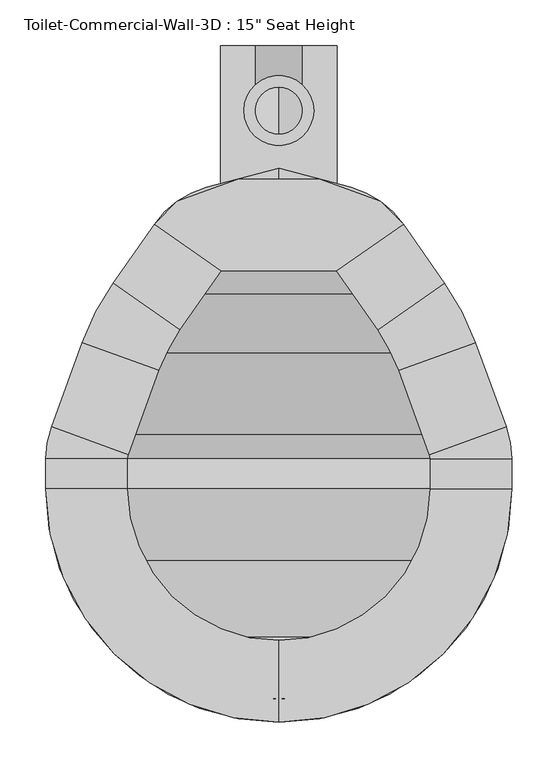
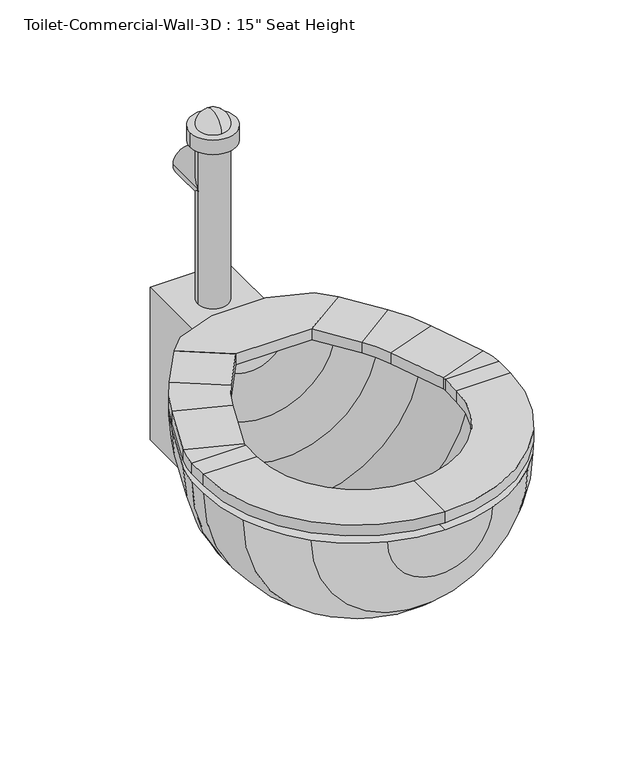
"""IFC4 building model written with IfcOpenShell, lengths in millimetres: flow terminal geometry."""

from ifc_helpers import new_model, si_unit, point, frame, frame_2d, origin, place, context, project, spatial, polyline, circle_curve, ellipse_curve, trimmed, segment, composite_curve, outline, extrude, source, transform, mapped, element, save
from ifc_brep_helpers import plane_surface, cylinder_surface, revolved_surface, advanced_brep


def flow_terminal_f7b7a87d(model_context):
    return source(origin(), model_context, "Body", "SolidModel", [
        extrude(outline(polyline([(467.7541169, -416.4847495), (342.0521907, -416.4847495), (269.229574, -365.4938043), (294.1800557, -340.5433226), (360.2423986, -316.4985961), (449.563909, -316.4985961), (515.6262519, -340.5433226), (540.5767337, -365.4938043), (467.7541169, -416.4847495)])), frame((0.0, 0.0, 355.6), z_axis=(0.0, 0.0, 1.0), x_axis=(1.0, 0.0, 0.0)), (0.0, 0.0, 1.0), 19.05),
        advanced_brep(
        [(467.7541169, -416.4847495, 355.6), (467.7541169, -416.4847495, 374.65), (540.5767337, -365.4938043, 374.65), (540.5767337, -365.4938043, 355.6), (585.6810159, -429.9093951, 355.6), (512.8583992, -480.9003403, 355.6), (585.6810159, -429.9093951, 374.65), (512.8583992, -480.9003403, 374.65), (619.360053, -494.6062234, 355.6), (535.821379, -525.0118141, 355.6), (619.360053, -494.6062234, 374.65), (535.821379, -525.0118141, 374.65), (652.7759241, -586.4155747, 355.6), (569.2372501, -616.8211654, 355.6), (652.7759241, -586.4155747, 374.65), (569.2372501, -616.8211654, 374.65), (658.9031538, -621.1648212, 355.6), (570.0031538, -621.1648212, 355.6), (658.9031538, -621.1648212, 374.65), (570.0031538, -621.1648212, 374.65), (658.9031538, -654.05, 355.6), (570.0031538, -654.05, 355.6), (658.9031538, -654.05, 374.65), (570.0031538, -654.05, 374.65), (404.9031538, -908.05, 355.6), (404.9031538, -819.15, 355.6), (404.9031538, -908.05, 374.65), (404.9031538, -819.15, 374.65), (150.9031538, -654.05, 355.6), (239.8031538, -654.05, 355.6), (150.9031538, -654.05, 374.65), (239.8031538, -654.05, 374.65), (150.9031538, -621.1648212, 355.6), (239.8031538, -621.1648212, 355.6), (150.9031538, -621.1648212, 374.65), (239.8031538, -621.1648212, 374.65), (157.0303835, -586.4155747, 355.6), (240.5690575, -616.8211654, 355.6), (157.0303835, -586.4155747, 374.65), (240.5690575, -616.8211654, 374.65), (190.4462546, -494.6062234, 355.6), (273.9849286, -525.0118141, 355.6), (190.4462546, -494.6062234, 374.65), (273.9849286, -525.0118141, 374.65), (224.1252917, -429.9093951, 355.6), (296.9479084, -480.9003403, 355.6), (224.1252917, -429.9093951, 374.65), (296.9479084, -480.9003403, 374.65), (342.0521907, -416.4847495, 355.6), (269.229574, -365.4938043, 355.6), (269.229574, -365.4938043, 374.65), (342.0521907, -416.4847495, 374.65)],
        [
            (0, 1),
            (1, 2),
            (2, 3),
            (3, 0),
            (3, 4),
            (4, 5),
            (5, 0),
            (2, 6),
            (6, 4),
            (1, 7),
            (7, 6),
            (5, 7),
            (8, 9),
            (9, 5, circle_curve(frame((356.8099347, -590.1666514, 355.6), z_axis=(0.0, 0.0, 1.0), x_axis=(0.81915204428899, 0.5735764363510486, 0.0)), 190.5)),
            (4, 8, circle_curve(frame((356.8099347, -590.1666514, 355.6), z_axis=(0.0, 0.0, -1.0), x_axis=(0.81915204428899, 0.5735764363510486, 0.0)), 279.4)),
            (10, 8),
            (6, 10, circle_curve(frame((356.8099347, -590.1666514, 374.65), z_axis=(0.0, 0.0, -1.0), x_axis=(0.81915204428899, 0.5735764363510486, 0.0)), 279.4)),
            (11, 10),
            (7, 11, circle_curve(frame((356.8099347, -590.1666514, 374.65), z_axis=(0.0, 0.0, -1.0), x_axis=(0.81915204428899, 0.5735764363510486, 0.0)), 190.5)),
            (9, 11),
            (8, 12),
            (12, 13),
            (13, 9),
            (10, 14),
            (14, 12),
            (11, 15),
            (15, 14),
            (13, 15),
            (16, 17),
            (17, 13, circle_curve(frame((557.3031538, -621.1648212, 355.6), z_axis=(0.0, 0.0, 1.0), x_axis=(0.9396926207859057, 0.3420201433256761, 0.0)), 12.7)),
            (12, 16, circle_curve(frame((557.3031538, -621.1648212, 355.6), z_axis=(0.0, 0.0, -1.0), x_axis=(0.9396926207859057, 0.3420201433256761, 0.0)), 101.6)),
            (18, 16),
            (14, 18, circle_curve(frame((557.3031538, -621.1648212, 374.65), z_axis=(0.0, 0.0, -1.0), x_axis=(0.9396926207859057, 0.3420201433256761, 0.0)), 101.6)),
            (19, 18),
            (15, 19, circle_curve(frame((557.3031538, -621.1648212, 374.65), z_axis=(0.0, 0.0, -1.0), x_axis=(0.9396926207859057, 0.3420201433256761, 0.0)), 12.7)),
            (17, 19),
            (16, 20),
            (20, 21),
            (21, 17),
            (18, 22),
            (22, 20),
            (19, 23),
            (23, 22),
            (21, 23),
            (24, 25),
            (25, 21, circle_curve(frame((404.9031538, -654.05, 355.6), z_axis=(0.0, 0.0, 1.0), x_axis=(1.0, 0.0, 0.0)), 165.1)),
            (20, 24, circle_curve(frame((404.9031538, -654.05, 355.6), z_axis=(0.0, 0.0, -1.0), x_axis=(1.0, 0.0, 0.0)), 254.0)),
            (26, 24),
            (22, 26, circle_curve(frame((404.9031538, -654.05, 374.65), z_axis=(0.0, 0.0, -1.0), x_axis=(1.0, 0.0, 0.0)), 254.0)),
            (27, 26),
            (23, 27, circle_curve(frame((404.9031538, -654.05, 374.65), z_axis=(0.0, 0.0, -1.0), x_axis=(1.0, 0.0, 0.0)), 165.1)),
            (25, 27),
            (28, 29),
            (29, 25, circle_curve(frame((404.9031538, -654.05, 355.6), z_axis=(0.0, 0.0, 1.0), x_axis=(0.0, -1.0, 0.0)), 165.1)),
            (24, 28, circle_curve(frame((404.9031538, -654.05, 355.6), z_axis=(0.0, 0.0, -1.0), x_axis=(0.0, -1.0, 0.0)), 254.0)),
            (30, 28),
            (26, 30, circle_curve(frame((404.9031538, -654.05, 374.65), z_axis=(0.0, 0.0, -1.0), x_axis=(0.0, -1.0, 0.0)), 254.0)),
            (31, 30),
            (27, 31, circle_curve(frame((404.9031538, -654.05, 374.65), z_axis=(0.0, 0.0, -1.0), x_axis=(0.0, -1.0, 0.0)), 165.1)),
            (29, 31),
            (28, 32),
            (32, 33),
            (33, 29),
            (30, 34),
            (34, 32),
            (31, 35),
            (35, 34),
            (33, 35),
            (36, 37),
            (37, 33, circle_curve(frame((252.5031538, -621.1648212, 355.6), z_axis=(0.0, 0.0, 1.0), x_axis=(-1.0, 0.0, 0.0)), 12.7)),
            (32, 36, circle_curve(frame((252.5031538, -621.1648212, 355.6), z_axis=(0.0, 0.0, -1.0), x_axis=(-1.0, 0.0, 0.0)), 101.6)),
            (38, 36),
            (34, 38, circle_curve(frame((252.5031538, -621.1648212, 374.65), z_axis=(0.0, 0.0, -1.0), x_axis=(-1.0, 0.0, 0.0)), 101.6)),
            (39, 38),
            (35, 39, circle_curve(frame((252.5031538, -621.1648212, 374.65), z_axis=(0.0, 0.0, -1.0), x_axis=(-1.0, 0.0, 0.0)), 12.7)),
            (37, 39),
            (36, 40),
            (40, 41),
            (41, 37),
            (38, 42),
            (42, 40),
            (39, 43),
            (43, 42),
            (41, 43),
            (44, 45),
            (45, 41, circle_curve(frame((452.9963729, -590.1666514, 355.6), z_axis=(0.0, 0.0, 1.0), x_axis=(-0.939692620785909, 0.3420201433256672, 0.0)), 190.5)),
            (40, 44, circle_curve(frame((452.9963729, -590.1666514, 355.6), z_axis=(0.0, 0.0, -1.0), x_axis=(-0.939692620785909, 0.3420201433256672, 0.0)), 279.4)),
            (46, 44),
            (42, 46, circle_curve(frame((452.9963729, -590.1666514, 374.65), z_axis=(0.0, 0.0, -1.0), x_axis=(-0.939692620785909, 0.3420201433256672, 0.0)), 279.4)),
            (47, 46),
            (43, 47, circle_curve(frame((452.9963729, -590.1666514, 374.65), z_axis=(0.0, 0.0, -1.0), x_axis=(-0.939692620785909, 0.3420201433256672, 0.0)), 190.5)),
            (45, 47),
            (48, 49),
            (49, 50),
            (50, 51),
            (51, 48),
            (44, 49),
            (48, 45),
            (46, 50),
            (47, 51),
        ],
        [
            plane_surface(frame((540.5767337, -365.4938043, 437.2995365), z_axis=(-0.5735764363510436, 0.8191520442889937, 0.0), x_axis=(0.8191520442889937, 0.5735764363510436, 0.0))),
            plane_surface(frame((467.7541169, -416.4847495, 355.6), z_axis=(0.0, 0.0, -1.0), x_axis=(0.5735764363510435, -0.8191520442889937, 0.0))),
            plane_surface(frame((540.5767337, -365.4938043, 355.6), z_axis=(0.8191520442889932, 0.5735764363510439, 0.0), x_axis=(0.5735764363510439, -0.8191520442889932, 0.0))),
            plane_surface(frame((540.5767337, -365.4938043, 374.65), z_axis=(0.0, 0.0, 1.0), x_axis=(0.573576436351043, -0.819152044288994, 0.0))),
            plane_surface(frame((467.7541169, -416.4847495, 374.65), z_axis=(-0.8191520442889932, -0.5735764363510439, 0.0), x_axis=(0.5735764363510439, -0.8191520442889932, 0.0))),
            plane_surface(frame((356.8099347, -590.1666514, 355.6), z_axis=(0.0, 0.0, -1.0), x_axis=(0.81915204428899, 0.5735764363510486, 0.0))),
            cylinder_surface(frame((356.8099347, -590.1666514, 342.9), z_axis=(0.0, 0.0, 1.0), x_axis=(0.81915204428899, 0.5735764363510486, 0.0)), 279.4),
            plane_surface(frame((356.8099347, -590.1666514, 374.65), z_axis=(0.0, 0.0, 1.0), x_axis=(0.81915204428899, 0.5735764363510486, 0.0))),
            revolved_surface(polyline([(512.8583991370526, -480.90034027512525, 374.65), (512.8583991370526, -480.90034027512525, 355.6)]), (356.8099347, -590.1666514, 342.9), (0.0, 0.0, 1.0)),
            plane_surface(frame((535.821379, -525.0118141, 355.6), z_axis=(0.0, 0.0, -1.0000000000000002), x_axis=(0.3420201433256594, -0.9396926207859119, 0.0))),
            plane_surface(frame((619.360053, -494.6062234, 355.6), z_axis=(0.939692620785912, 0.34202014332565894, 0.0), x_axis=(0.34202014332565894, -0.939692620785912, 0.0))),
            plane_surface(frame((619.360053, -494.6062234, 374.65), z_axis=(0.0, 0.0, 1.0), x_axis=(0.34202014332565894, -0.939692620785912, 0.0))),
            plane_surface(frame((535.821379, -525.0118141, 374.65), z_axis=(-0.9396926207859126, -0.3420201433256571, 0.0), x_axis=(0.3420201433256571, -0.9396926207859126, 0.0))),
            plane_surface(frame((557.3031538, -621.1648212, 355.6), z_axis=(0.0, 0.0, -1.0000000000000002), x_axis=(0.9396926207859058, 0.34202014332567615, 0.0))),
            cylinder_surface(frame((557.3031538, -621.1648212, 342.9), z_axis=(0.0, 0.0, 1.0), x_axis=(0.9396926207859057, 0.3420201433256761, 0.0)), 101.6),
            plane_surface(frame((557.3031538, -621.1648212, 374.65), z_axis=(0.0, 0.0, 1.0000000000000002), x_axis=(0.9396926207859058, 0.34202014332567615, 0.0))),
            revolved_surface(polyline([(569.237250083981, -616.8211653797639, 374.65), (569.237250083981, -616.8211653797639, 355.6)]), (557.3031538, -621.1648212, 342.9), (0.0, 0.0, 1.0)),
            plane_surface(frame((570.0031538, -621.1648212, 355.6), z_axis=(0.0, 0.0, -1.0), x_axis=(0.0, -1.0, 0.0))),
            plane_surface(frame((658.9031538, -621.1648212, 355.6), z_axis=(1.0, 0.0, 0.0), x_axis=(0.0, -1.0, 0.0))),
            plane_surface(frame((658.9031538, -621.1648212, 374.65), z_axis=(0.0, 0.0, 1.0), x_axis=(0.0, -1.0, 0.0))),
            plane_surface(frame((570.0031538, -621.1648212, 374.65), z_axis=(-1.0, 0.0, 0.0), x_axis=(0.0, -1.0, 0.0))),
            plane_surface(frame((404.9031538, -654.05, 355.6), z_axis=(0.0, 0.0, -1.0), x_axis=(1.0, 0.0, 0.0))),
            cylinder_surface(frame((404.9031538, -654.05, 342.9), z_axis=(0.0, 0.0, 1.0), x_axis=(1.0, 0.0, 0.0)), 254.0),
            plane_surface(frame((404.9031538, -654.05, 374.65), z_axis=(0.0, 0.0, 1.0), x_axis=(1.0, 0.0, 0.0))),
            revolved_surface(polyline([(570.0031538, -654.05, 374.65), (570.0031538, -654.05, 355.6)]), (404.9031538, -654.05, 342.9), (0.0, 0.0, 1.0)),
            plane_surface(frame((404.9031538, -654.05, 355.6), z_axis=(0.0, 0.0, -1.0), x_axis=(0.0, -1.0, 0.0))),
            cylinder_surface(frame((404.9031538, -654.05, 342.9), z_axis=(0.0, 0.0, 1.0), x_axis=(0.0, -1.0, 0.0)), 254.0),
            plane_surface(frame((404.9031538, -654.05, 374.65), z_axis=(0.0, 0.0, 1.0), x_axis=(0.0, -1.0, 0.0))),
            revolved_surface(polyline([(404.9031538, -819.15, 374.65), (404.9031538, -819.15, 355.6)]), (404.9031538, -654.05, 342.9), (0.0, 0.0, 1.0)),
            plane_surface(frame((239.8031538, -654.05, 355.6), z_axis=(0.0, 0.0, -1.0), x_axis=(0.0, 1.0, 0.0))),
            plane_surface(frame((150.9031538, -654.05, 355.6), z_axis=(-1.0, 0.0, 0.0), x_axis=(0.0, 1.0, 0.0))),
            plane_surface(frame((150.9031538, -654.05, 374.65), z_axis=(0.0, 0.0, 1.0), x_axis=(0.0, 1.0, 0.0))),
            plane_surface(frame((239.8031538, -654.05, 374.65), z_axis=(1.0, 0.0, 0.0), x_axis=(0.0, 1.0, 0.0))),
            plane_surface(frame((252.5031538, -621.1648212, 355.6), z_axis=(0.0, 0.0, -1.0), x_axis=(-1.0, 0.0, 0.0))),
            cylinder_surface(frame((252.5031538, -621.1648212, 342.9), z_axis=(0.0, 0.0, 1.0), x_axis=(-1.0, 0.0, 0.0)), 101.6),
            plane_surface(frame((252.5031538, -621.1648212, 374.65), z_axis=(0.0, 0.0, 1.0), x_axis=(-1.0, 0.0, 0.0))),
            revolved_surface(polyline([(239.80315380000002, -621.1648212, 374.65), (239.80315380000002, -621.1648212, 355.6)]), (252.5031538, -621.1648212, 342.9), (0.0, 0.0, 1.0)),
            plane_surface(frame((240.5690575, -616.8211654, 355.6), z_axis=(0.0, 0.0, -1.0), x_axis=(0.3420201433256577, 0.9396926207859124, 0.0))),
            plane_surface(frame((157.0303835, -586.4155747, 355.6), z_axis=(-0.9396926207859123, 0.3420201433256579, 0.0), x_axis=(0.3420201433256579, 0.9396926207859123, 0.0))),
            plane_surface(frame((157.0303835, -586.4155747, 374.65), z_axis=(0.0, 0.0, 1.0000000000000002), x_axis=(0.34202014332565817, 0.9396926207859123, 0.0))),
            plane_surface(frame((240.5690575, -616.8211654, 374.65), z_axis=(0.9396926207859124, -0.3420201433256577, 0.0), x_axis=(0.3420201433256577, 0.9396926207859124, 0.0))),
            plane_surface(frame((452.9963729, -590.1666514, 355.6), z_axis=(0.0, 0.0, -1.0), x_axis=(-0.939692620785909, 0.3420201433256672, 0.0))),
            cylinder_surface(frame((452.9963729, -590.1666514, 342.9), z_axis=(0.0, 0.0, 1.0), x_axis=(-0.939692620785909, 0.3420201433256672, 0.0)), 279.4),
            plane_surface(frame((452.9963729, -590.1666514, 374.65), z_axis=(0.0, 0.0, 1.0), x_axis=(-0.939692620785909, 0.3420201433256672, 0.0))),
            revolved_surface(polyline([(273.98492864028435, -525.0118140964604, 374.65), (273.98492864028435, -525.0118140964604, 355.6)]), (452.9963729, -590.1666514, 342.9), (0.0, 0.0, 1.0)),
            plane_surface(frame((269.229574, -365.4938043, 248.5004635), z_axis=(0.5735764363510469, 0.8191520442889914, 0.0), x_axis=(0.8191520442889914, -0.5735764363510469, 0.0))),
            plane_surface(frame((296.9479084, -480.9003403, 355.6), z_axis=(0.0, 0.0, -1.0), x_axis=(0.5735764363510475, 0.8191520442889909, 0.0))),
            plane_surface(frame((224.1252917, -429.9093951, 355.6), z_axis=(-0.8191520442889912, 0.5735764363510469, 0.0), x_axis=(0.5735764363510469, 0.8191520442889912, 0.0))),
            plane_surface(frame((224.1252917, -429.9093951, 374.65), z_axis=(0.0, 0.0, 1.0), x_axis=(0.5735764363510469, 0.8191520442889912, 0.0))),
            plane_surface(frame((296.9479084, -480.9003403, 374.65), z_axis=(0.8191520442889916, -0.5735764363510465, 0.0), x_axis=(0.5735764363510465, 0.8191520442889916, 0.0))),
        ],
        [
            (0, [[1, 2, 3, 4]]),
            (1, [[5, 6, 7, -4]]),
            (2, [[8, 9, -5, -3]]),
            (3, [[10, 11, -8, -2]]),
            (4, [[-7, 12, -10, -1]]),
            (5, [[13, 14, -6, 15]]),
            (6, [[16, -15, -9, 17]]),
            (7, [[18, -17, -11, 19]]),
            (8, [[20, -19, -12, -14]]),
            (9, [[21, 22, 23, -13]]),
            (10, [[24, 25, -21, -16]]),
            (11, [[26, 27, -24, -18]]),
            (12, [[-23, 28, -26, -20]]),
            (13, [[29, 30, -22, 31]]),
            (14, [[32, -31, -25, 33]]),
            (15, [[34, -33, -27, 35]]),
            (16, [[36, -35, -28, -30]]),
            (17, [[37, 38, 39, -29]]),
            (18, [[40, 41, -37, -32]]),
            (19, [[42, 43, -40, -34]]),
            (20, [[-39, 44, -42, -36]]),
            (21, [[45, 46, -38, 47]]),
            (22, [[48, -47, -41, 49]]),
            (23, [[50, -49, -43, 51]]),
            (24, [[52, -51, -44, -46]]),
            (25, [[53, 54, -45, 55]]),
            (26, [[56, -55, -48, 57]]),
            (27, [[58, -57, -50, 59]]),
            (28, [[60, -59, -52, -54]]),
            (29, [[61, 62, 63, -53]]),
            (30, [[64, 65, -61, -56]]),
            (31, [[66, 67, -64, -58]]),
            (32, [[-63, 68, -66, -60]]),
            (33, [[69, 70, -62, 71]]),
            (34, [[72, -71, -65, 73]]),
            (35, [[74, -73, -67, 75]]),
            (36, [[76, -75, -68, -70]]),
            (37, [[77, 78, 79, -69]]),
            (38, [[80, 81, -77, -72]]),
            (39, [[82, 83, -80, -74]]),
            (40, [[-79, 84, -82, -76]]),
            (41, [[85, 86, -78, 87]]),
            (42, [[88, -87, -81, 89]]),
            (43, [[90, -89, -83, 91]]),
            (44, [[92, -91, -84, -86]]),
            (45, [[93, 94, 95, 96]]),
            (46, [[97, -93, 98, -85]]),
            (47, [[99, -94, -97, -88]]),
            (48, [[100, -95, -99, -90]]),
            (49, [[-98, -96, -100, -92]]),
        ],
    ),
        advanced_brep(
        [(491.7762702, -892.7319257, 342.9), (584.5082762, -833.6551224, 342.9), (643.5850795, -740.9231164, 342.9), (658.9031538, -654.05, 342.9), (658.9031538, -621.1648212, 342.9), (652.7759241, -586.4155747, 342.9), (619.360053, -494.6062234, 342.9), (585.6810159, -429.9093951, 342.9), (540.5767337, -365.4938043, 342.9), (483.6469009, -325.6311063, 342.9), (404.9031538, -304.5317829, 342.9), (404.9031538, -330.8277978, 342.9), (468.1430637, -347.7728806, 342.9), (525.0728964, -387.6355786, 342.9), (562.9565296, -441.7390139, 342.9), (596.6355667, -506.4358422, 342.9), (628.9077315, -595.1028863, 342.9), (633.5031538, -621.1648212, 342.9), (633.5031538, -654.05, 342.9), (619.7168869, -732.2358048, 342.9), (566.547764, -815.6946102, 342.9), (483.0889586, -868.8637331, 342.9), (404.9031538, -882.65, 342.9), (404.9031538, -908.05, 342.9), (318.0300374, -892.7319257, 342.9), (326.7173491, -868.8637331, 342.9), (243.2585436, -815.6946102, 342.9), (190.0894207, -732.2358048, 342.9), (176.3031538, -654.05, 342.9), (176.3031538, -621.1648212, 342.9), (180.8985761, -595.1028863, 342.9), (213.1707409, -506.4358422, 342.9), (246.849778, -441.7390139, 342.9), (284.7334112, -387.6355786, 342.9), (341.663244, -347.7728806, 342.9), (326.1594067, -325.6311063, 342.9), (269.229574, -365.4938043, 342.9), (224.1252917, -429.9093951, 342.9), (190.4462546, -494.6062234, 342.9), (157.0303835, -586.4155747, 342.9), (150.9031538, -621.1648212, 342.9), (150.9031538, -654.05, 342.9), (166.2212281, -740.9231164, 342.9), (225.2980314, -833.6551224, 342.9)],
        [
            (0, 1, circle_curve(frame((404.9031538, -654.05, 342.9), z_axis=(0.0, 0.0, 1.0), x_axis=(1.0, 0.0, 0.0)), 254.0)),
            (1, 2, circle_curve(frame((404.9031538, -654.05, 342.9), z_axis=(0.0, 0.0, 1.0), x_axis=(1.0, 0.0, 0.0)), 254.0)),
            (2, 3, circle_curve(frame((404.9031538, -654.05, 342.9), z_axis=(0.0, 0.0, 1.0), x_axis=(1.0, 0.0, 0.0)), 254.0)),
            (3, 4),
            (4, 5, circle_curve(frame((557.3031538, -621.1648212, 342.9), z_axis=(0.0, 0.0, 1.0), x_axis=(1.0, 0.0, 0.0)), 101.6)),
            (5, 6),
            (6, 7, circle_curve(frame((356.8099347, -590.1666514, 342.9), z_axis=(0.0, 0.0, 1.0), x_axis=(1.0, 0.0, 0.0)), 279.4)),
            (7, 8),
            (8, 9, circle_curve(frame((457.350886, -423.7691703, 342.9), z_axis=(0.0, 0.0, 1.0), x_axis=(1.0, 0.0, 0.0)), 101.6)),
            (9, 10),
            (10, 11),
            (11, 12),
            (12, 13, circle_curve(frame((441.8470487, -445.9109446, 342.9), z_axis=(0.0, 0.0, -1.0), x_axis=(1.0, 0.0, 0.0)), 101.6)),
            (13, 14),
            (14, 15, circle_curve(frame((334.0854485, -601.9962703, 342.9), z_axis=(0.0, 0.0, -1.0), x_axis=(1.0, 0.0, 0.0)), 279.4)),
            (15, 16),
            (16, 17, circle_curve(frame((557.3031538, -621.1648212, 342.9), z_axis=(0.0, 0.0, -1.0), x_axis=(1.0, 0.0, 0.0)), 76.2)),
            (17, 18),
            (18, 19, circle_curve(frame((404.9031538, -654.05, 342.9), z_axis=(0.0, 0.0, -1.0), x_axis=(1.0, 0.0, 0.0)), 228.6)),
            (19, 20, circle_curve(frame((404.9031538, -654.05, 342.9), z_axis=(0.0, 0.0, -1.0), x_axis=(1.0, 0.0, 0.0)), 228.6)),
            (20, 21, circle_curve(frame((404.9031538, -654.05, 342.9), z_axis=(0.0, 0.0, -1.0), x_axis=(1.0, 0.0, 0.0)), 228.6)),
            (21, 22, circle_curve(frame((404.9031538, -654.05, 342.9), z_axis=(0.0, 0.0, -1.0), x_axis=(1.0, 0.0, 0.0)), 228.6)),
            (22, 23),
            (23, 0, circle_curve(frame((404.9031538, -654.05, 342.9), z_axis=(0.0, 0.0, 1.0), x_axis=(1.0, 0.0, 0.0)), 254.0)),
            (24, 23, circle_curve(frame((404.9031538, -654.05, 342.9), z_axis=(0.0, 0.0, 1.0), x_axis=(-1.0, 0.0, 0.0)), 254.0)),
            (22, 25, circle_curve(frame((404.9031538, -654.05, 342.9), z_axis=(0.0, 0.0, -1.0), x_axis=(-1.0, 0.0, 0.0)), 228.6)),
            (25, 26, circle_curve(frame((404.9031538, -654.05, 342.9), z_axis=(0.0, 0.0, -1.0), x_axis=(-1.0, 0.0, 0.0)), 228.6)),
            (26, 27, circle_curve(frame((404.9031538, -654.05, 342.9), z_axis=(0.0, 0.0, -1.0), x_axis=(-1.0, 0.0, 0.0)), 228.6)),
            (27, 28, circle_curve(frame((404.9031538, -654.05, 342.9), z_axis=(0.0, 0.0, -1.0), x_axis=(-1.0, 0.0, 0.0)), 228.6)),
            (28, 29),
            (29, 30, circle_curve(frame((252.5031538, -621.1648212, 342.9), z_axis=(0.0, 0.0, -1.0), x_axis=(-1.0, 0.0, 0.0)), 76.2)),
            (30, 31),
            (31, 32, circle_curve(frame((475.7208592, -601.9962703, 342.9), z_axis=(0.0, 0.0, -1.0), x_axis=(-1.0, 0.0, 0.0)), 279.4)),
            (32, 33),
            (33, 34, circle_curve(frame((367.9592589, -445.9109446, 342.9), z_axis=(0.0, 0.0, -1.0), x_axis=(-1.0, 0.0, 0.0)), 101.6)),
            (34, 11),
            (10, 35),
            (35, 36, circle_curve(frame((352.4554217, -423.7691703, 342.9), z_axis=(0.0, 0.0, 1.0), x_axis=(-1.0, 0.0, 0.0)), 101.6)),
            (36, 37),
            (37, 38, circle_curve(frame((452.9963729, -590.1666514, 342.9), z_axis=(0.0, 0.0, 1.0), x_axis=(-1.0, 0.0, 0.0)), 279.4)),
            (38, 39),
            (39, 40, circle_curve(frame((252.5031538, -621.1648212, 342.9), z_axis=(0.0, 0.0, 1.0), x_axis=(-1.0, 0.0, 0.0)), 101.6)),
            (40, 41),
            (41, 42, circle_curve(frame((404.9031538, -654.05, 342.9), z_axis=(0.0, 0.0, 1.0), x_axis=(-1.0, 0.0, 0.0)), 254.0)),
            (42, 43, circle_curve(frame((404.9031538, -654.05, 342.9), z_axis=(0.0, 0.0, 1.0), x_axis=(-1.0, 0.0, 0.0)), 254.0)),
            (43, 24, circle_curve(frame((404.9031538, -654.05, 342.9), z_axis=(0.0, 0.0, 1.0), x_axis=(-1.0, 0.0, 0.0)), 254.0)),
            (24, 0, circle_curve(frame((404.9031538, -892.7319257, 342.9), z_axis=(0.0, -1.0, 0.0), x_axis=(1.0, 0.0, 0.0)), 86.8731164)),
            (21, 25, circle_curve(frame((404.9031538, -868.8637331, 342.9), z_axis=(0.0, 1.0, 0.0), x_axis=(1.0, 0.0, 0.0)), 78.1858048)),
            (20, 26, circle_curve(frame((404.9031538, -815.6946102, 342.9), z_axis=(0.0, 1.0, 0.0), x_axis=(1.0, 0.0, 0.0)), 161.6446102)),
            (19, 27, circle_curve(frame((404.9031538, -732.2358048, 342.9), z_axis=(0.0, 1.0, 0.0), x_axis=(1.0, 0.0, 0.0)), 214.8137331)),
            (18, 28, circle_curve(frame((404.9031538, -654.05, 342.9), z_axis=(0.0, 1.0, 0.0), x_axis=(1.0, 0.0, 0.0)), 228.6)),
            (17, 29, circle_curve(frame((404.9031538, -621.1648212, 342.9), z_axis=(0.0, 1.0, 0.0), x_axis=(1.0, 0.0, 0.0)), 228.6)),
            (16, 30, circle_curve(frame((404.9031538, -595.1028863, 342.9), z_axis=(0.0, 1.0, 0.0), x_axis=(1.0, 0.0, 0.0)), 224.0045777)),
            (15, 31, circle_curve(frame((404.9031538, -506.4358422, 342.9), z_axis=(0.0, 1.0, 0.0), x_axis=(1.0, 0.0, 0.0)), 191.7324129)),
            (14, 32, circle_curve(frame((404.9031538, -441.7390139, 342.9), z_axis=(0.0, 1.0, 0.0), x_axis=(1.0, 0.0, 0.0)), 158.0533758)),
            (13, 33, circle_curve(frame((404.9031538, -387.6355786, 342.9), z_axis=(0.0, 1.0, 0.0), x_axis=(1.0, 0.0, 0.0)), 120.1697426)),
            (12, 34, circle_curve(frame((404.9031538, -347.7728806, 342.9), z_axis=(0.0, 1.0, 0.0), x_axis=(1.0, 0.0, 0.0)), 63.2399099)),
            (9, 35, circle_curve(frame((404.9031538, -325.6311063, 342.9), z_axis=(0.0, 1.0, 0.0), x_axis=(1.0, 0.0, 0.0)), 78.7437471)),
            (8, 36, circle_curve(frame((404.9031538, -365.4938043, 342.9), z_axis=(0.0, 1.0, 0.0), x_axis=(1.0, 0.0, 0.0)), 135.6735798)),
            (7, 37, circle_curve(frame((404.9031538, -429.9093951, 342.9), z_axis=(0.0, 1.0, 0.0), x_axis=(1.0, 0.0, 0.0)), 180.7778621)),
            (6, 38, circle_curve(frame((404.9031538, -494.6062234, 342.9), z_axis=(0.0, 1.0, 0.0), x_axis=(1.0, 0.0, 0.0)), 214.4568992)),
            (5, 39, circle_curve(frame((404.9031538, -586.4155747, 342.9), z_axis=(0.0, 1.0, 0.0), x_axis=(1.0, 0.0, 0.0)), 247.8727703)),
            (4, 40, circle_curve(frame((404.9031538, -621.1648212, 342.9), z_axis=(0.0, 1.0, 0.0), x_axis=(1.0, 0.0, 0.0)), 254.0)),
            (3, 41, circle_curve(frame((404.9031538, -654.05, 342.9), z_axis=(0.0, 1.0, 0.0), x_axis=(1.0, 0.0, 0.0)), 254.0)),
            (2, 42, circle_curve(frame((404.9031538, -740.9231164, 342.9), z_axis=(0.0, 1.0, 0.0), x_axis=(1.0, 0.0, 0.0)), 238.6819257)),
            (1, 43, circle_curve(frame((404.9031538, -833.6551224, 342.9), z_axis=(0.0, 1.0, 0.0), x_axis=(1.0, 0.0, 0.0)), 179.6051224)),
        ],
        [
            plane_surface(frame((404.9031538, -1013.2602448, 342.9), z_axis=(0.0, 0.0, 1.0), x_axis=(1.0, 0.0, 0.0))),
            plane_surface(frame((404.9031538, -1013.2602448, 342.9), z_axis=(0.0, 0.0, 1.0), x_axis=(-1.0, 0.0, 0.0))),
            revolved_surface(trimmed(ellipse_curve(frame((404.9031538, -654.05, 342.9), z_axis=(0.0, 0.0, -1.0), x_axis=(1.0, 0.0, 0.0)), 254.0, 254.0), [point((491.7762702, -892.7319257, 342.9))], [point((404.9031538, -908.05, 342.9))], True, "CARTESIAN"), (404.9031538, -1013.2602448, 342.9), (0.0, -1.0, 0.0)),
            revolved_surface(trimmed(ellipse_curve(frame((404.9031538, -654.05, 342.9), z_axis=(0.0, 0.0, 1.0), x_axis=(1.0, 0.0, 0.0)), 228.6, 228.6), [point((404.9031538, -882.65, 342.9))], [point((483.0889586, -868.8637331, 342.9))], True, "CARTESIAN"), (404.9031538, -1013.2602448, 342.9), (0.0, -1.0, 0.0)),
            revolved_surface(trimmed(ellipse_curve(frame((404.9031538, -654.05, 342.9), z_axis=(0.0, 0.0, 1.0), x_axis=(1.0, 0.0, 0.0)), 228.6, 228.6), [point((483.0889586, -868.8637331, 342.9))], [point((566.547764, -815.6946102, 342.9))], True, "CARTESIAN"), (404.9031538, -1013.2602448, 342.9), (0.0, -1.0, 0.0)),
            revolved_surface(trimmed(ellipse_curve(frame((404.9031538, -654.05, 342.9), z_axis=(0.0, 0.0, 1.0), x_axis=(1.0, 0.0, 0.0)), 228.6, 228.6), [point((566.547764, -815.6946102, 342.9))], [point((619.7168869, -732.2358048, 342.9))], True, "CARTESIAN"), (404.9031538, -1013.2602448, 342.9), (0.0, -1.0, 0.0)),
            revolved_surface(trimmed(ellipse_curve(frame((404.9031538, -654.05, 342.9), z_axis=(0.0, 0.0, 1.0), x_axis=(1.0, 0.0, 0.0)), 228.6, 228.6), [point((619.7168869, -732.2358048, 342.9))], [point((633.5031538, -654.05, 342.9))], True, "CARTESIAN"), (404.9031538, -1013.2602448, 342.9), (0.0, -1.0, 0.0)),
            revolved_surface(polyline([(633.5031538, -654.05, 342.9), (633.5031538, -621.1648212, 342.9)]), (404.9031538, -1013.2602448, 342.9), (0.0, -1.0, 0.0)),
            revolved_surface(trimmed(ellipse_curve(frame((557.3031538, -621.1648212, 342.9), z_axis=(0.0, 0.0, 1.0), x_axis=(1.0, 0.0, 0.0)), 76.2, 76.2), [point((633.5031538, -621.1648212, 342.9))], [point((628.9077315, -595.1028863, 342.9))], True, "CARTESIAN"), (404.9031538, -1013.2602448, 342.9), (0.0, -1.0, 0.0)),
            revolved_surface(polyline([(628.9077315, -595.1028863, 342.9), (596.6355667, -506.4358422, 342.9)]), (404.9031538, -1013.2602448, 342.9), (0.0, -1.0, 0.0)),
            revolved_surface(trimmed(ellipse_curve(frame((334.0854485, -601.9962703, 342.9), z_axis=(0.0, 0.0, 1.0), x_axis=(1.0, 0.0, 0.0)), 279.4, 279.4), [point((596.6355667, -506.4358422, 342.9))], [point((562.9565296, -441.7390139, 342.9))], True, "CARTESIAN"), (404.9031538, -1013.2602448, 342.9), (0.0, -1.0, 0.0)),
            revolved_surface(polyline([(562.9565296, -441.7390139, 342.9), (525.0728964, -387.6355786, 342.9)]), (404.9031538, -1013.2602448, 342.9), (0.0, -1.0, 0.0)),
            revolved_surface(trimmed(ellipse_curve(frame((441.8470487, -445.9109446, 342.9), z_axis=(0.0, 0.0, 1.0), x_axis=(1.0, 0.0, 0.0)), 101.6, 101.6), [point((525.0728964, -387.6355786, 342.9))], [point((468.1430637, -347.7728806, 342.9))], True, "CARTESIAN"), (404.9031538, -1013.2602448, 342.9), (0.0, -1.0, 0.0)),
            revolved_surface(polyline([(468.1430637, -347.7728806, 342.9), (404.9031538, -330.8277978, 342.9)]), (404.9031538, -1013.2602448, 342.9), (0.0, -1.0, 0.0)),
            revolved_surface(polyline([(404.9031538, -304.5317829, 342.9), (483.6469009, -325.6311063, 342.9)]), (404.9031538, -1013.2602448, 342.9), (0.0, -1.0, 0.0)),
            revolved_surface(trimmed(ellipse_curve(frame((457.350886, -423.7691703, 342.9), z_axis=(0.0, 0.0, -1.0), x_axis=(1.0, 0.0, 0.0)), 101.6, 101.6), [point((483.6469009, -325.6311063, 342.9))], [point((540.5767337, -365.4938043, 342.9))], True, "CARTESIAN"), (404.9031538, -1013.2602448, 342.9), (0.0, -1.0, 0.0)),
            revolved_surface(polyline([(540.5767337, -365.4938043, 342.9), (585.6810159, -429.9093951, 342.9)]), (404.9031538, -1013.2602448, 342.9), (0.0, -1.0, 0.0)),
            revolved_surface(trimmed(ellipse_curve(frame((356.8099347, -590.1666514, 342.9), z_axis=(0.0, 0.0, -1.0), x_axis=(1.0, 0.0, 0.0)), 279.4, 279.4), [point((585.6810159, -429.9093951, 342.9))], [point((619.360053, -494.6062234, 342.9))], True, "CARTESIAN"), (404.9031538, -1013.2602448, 342.9), (0.0, -1.0, 0.0)),
            revolved_surface(polyline([(619.360053, -494.6062234, 342.9), (652.7759241, -586.4155747, 342.9)]), (404.9031538, -1013.2602448, 342.9), (0.0, -1.0, 0.0)),
            revolved_surface(trimmed(ellipse_curve(frame((557.3031538, -621.1648212, 342.9), z_axis=(0.0, 0.0, -1.0), x_axis=(1.0, 0.0, 0.0)), 101.6, 101.6), [point((652.7759241, -586.4155747, 342.9))], [point((658.9031538, -621.1648212, 342.9))], True, "CARTESIAN"), (404.9031538, -1013.2602448, 342.9), (0.0, -1.0, 0.0)),
            cylinder_surface(frame((404.9031538, -1013.2602448, 342.9), z_axis=(0.0, -1.0, 0.0), x_axis=(1.0, 0.0, 0.0)), 254.0),
            revolved_surface(trimmed(ellipse_curve(frame((404.9031538, -654.05, 342.9), z_axis=(0.0, 0.0, -1.0), x_axis=(1.0, 0.0, 0.0)), 254.0, 254.0), [point((658.9031538, -654.05, 342.9))], [point((643.5850795, -740.9231164, 342.9))], True, "CARTESIAN"), (404.9031538, -1013.2602448, 342.9), (0.0, -1.0, 0.0)),
            revolved_surface(trimmed(ellipse_curve(frame((404.9031538, -654.05, 342.9), z_axis=(0.0, 0.0, -1.0), x_axis=(1.0, 0.0, 0.0)), 254.0, 254.0), [point((643.5850795, -740.9231164, 342.9))], [point((584.5082762, -833.6551224, 342.9))], True, "CARTESIAN"), (404.9031538, -1013.2602448, 342.9), (0.0, -1.0, 0.0)),
            revolved_surface(trimmed(ellipse_curve(frame((404.9031538, -654.05, 342.9), z_axis=(0.0, 0.0, -1.0), x_axis=(1.0, 0.0, 0.0)), 254.0, 254.0), [point((584.5082762, -833.6551224, 342.9))], [point((491.7762702, -892.7319257, 342.9))], True, "CARTESIAN"), (404.9031538, -1013.2602448, 342.9), (0.0, -1.0, 0.0)),
        ],
        [
            (0, [[1, 2, 3, 4, 5, 6, 7, 8, 9, 10, 11, 12, 13, 14, 15, 16, 17, 18, 19, 20, 21, 22, 23, 24]]),
            (1, [[25, -23, 26, 27, 28, 29, 30, 31, 32, 33, 34, 35, 36, -11, 37, 38, 39, 40, 41, 42, 43, 44, 45, 46]]),
            (2, [[-25, 47, -24]]),
            (3, [[-26, -22, 48]]),
            (4, [[-27, -48, -21, 49]]),
            (5, [[-28, -49, -20, 50]]),
            (6, [[-29, -50, -19, 51]]),
            (7, [[-30, -51, -18, 52]]),
            (8, [[-31, -52, -17, 53]]),
            (9, [[-32, -53, -16, 54]]),
            (10, [[-33, -54, -15, 55]]),
            (11, [[-34, -55, -14, 56]]),
            (12, [[-35, -56, -13, 57]]),
            (13, [[-36, -57, -12]]),
            (14, [[-37, -10, 58]]),
            (15, [[-38, -58, -9, 59]]),
            (16, [[-39, -59, -8, 60]]),
            (17, [[-40, -60, -7, 61]]),
            (18, [[-41, -61, -6, 62]]),
            (19, [[-42, -62, -5, 63]]),
            (20, [[-43, -63, -4, 64]]),
            (21, [[-44, -64, -3, 65]]),
            (22, [[-45, -65, -2, 66]]),
            (23, [[-46, -66, -1, -47]]),
        ],
    ),
        advanced_brep(
        [(404.9031538, -216.3676912, 647.7), (404.9031538, -241.9852737, 673.3175826), (404.9031538, -267.6028563, 647.7), (404.9031538, -241.9852737, 647.7)],
        [
            (0, 1, circle_curve(frame((404.9031538, -241.9852737, 647.7), z_axis=(1.0, 0.0, 0.0), x_axis=(0.0, -1.0, 0.0)), 25.6175826)),
            (1, 2, circle_curve(frame((404.9031538, -241.9852737, 647.7), z_axis=(1.0, 0.0, 0.0), x_axis=(0.0, 1.0, 0.0)), 25.6175826)),
            (2, 0, circle_curve(frame((404.9031538, -241.9852737, 647.7), z_axis=(0.0, 0.0, 1.0), x_axis=(0.0, -1.0, 0.0)), 25.6175826)),
            (0, 2, circle_curve(frame((404.9031538, -241.9852737, 647.7), z_axis=(0.0, 0.0, 1.0), x_axis=(0.0, -1.0, 0.0)), 25.6175826)),
            (3, 0),
            (2, 3),
        ],
        [
            revolved_surface(trimmed(ellipse_curve(frame((404.9031538, -241.9852737, 647.7), z_axis=(1.0, 0.0, 0.0), x_axis=(0.0, 1.0, 0.0)), 25.6175826, 25.6175826), [point((404.9031538, -241.9852737, 673.3175826))], [point((404.9031538, -267.6028563, 647.7))], True, "CARTESIAN"), (404.9031538, -241.9852737, 712.3277273), (0.0, 0.0, -1.0)),
            plane_surface(frame((404.9031538, -241.9852737, 647.7), z_axis=(0.0, 0.0, -1.0), x_axis=(0.0, -1.0, 0.0))),
        ],
        [
            (0, [[1, 2, 3]]),
            (0, [[-2, -1, 4]]),
            (1, [[5, -3, 6]]),
            (1, [[-6, -4, -5]]),
        ],
    ),
        extrude(outline(composite_curve([segment(trimmed(circle_curve(frame_2d((404.9031538, -241.9852737)), 38.1), [point((366.8031538, -241.9852737))], [point((443.0031538, -241.9852737))], False, "CARTESIAN"), True, "CONTINUOUS"), segment(trimmed(circle_curve(frame_2d((404.9031538, -241.9852737)), 38.1), [point((443.0031538, -241.9852737))], [point((366.8031538, -241.9852737))], False, "CARTESIAN"), True, "CONTINUOUS")], self_intersect=False)), frame((0.0, 0.0, 622.3), z_axis=(0.0, 0.0, 1.0), x_axis=(1.0, 0.0, 0.0)), (0.0, 0.0, 1.0), 25.4),
        extrude(outline(composite_curve([segment(trimmed(circle_curve(frame_2d((544.2113641, 404.9031538)), 25.4), [point((544.2113641, 379.5031538))], [point((544.2113641, 430.3031538))], False, "CARTESIAN"), True, "CONTINUOUS"), segment(trimmed(circle_curve(frame_2d((544.2113641, 404.9031538)), 25.4), [point((544.2113641, 430.3031538))], [point((544.2113641, 379.5031538))], False, "CARTESIAN"), True, "CONTINUOUS")], self_intersect=False)), frame((0.0, -242.09375, 0.0), z_axis=(0.0, 1.0, 0.0), x_axis=(0.0, 0.0, 1.0)), (0.0, 0.0, 1.0), 70.64375),
        extrude(outline(polyline([(-324.2537941, 342.9), (-171.45, 342.9), (-171.45, 76.2), (-391.4954017, 76.2), (-471.9926282, 134.0328588), (-367.9603185, 206.8770663), (-324.2537941, 269.296452), (-324.2537941, 342.9)])), frame((341.4031538, 0.0, 0.0), z_axis=(1.0, 0.0, 0.0), x_axis=(0.0, 1.0, 0.0)), (0.0, 0.0, 1.0), 127.0),
        extrude(outline(composite_curve([segment(trimmed(circle_curve(frame_2d((404.9031538, -241.9852737)), 25.4), [point((379.5031538, -241.9852737))], [point((430.3031538, -241.9852737))], False, "CARTESIAN"), True, "CONTINUOUS"), segment(trimmed(circle_curve(frame_2d((404.9031538, -241.9852737)), 25.4), [point((430.3031538, -241.9852737))], [point((379.5031538, -241.9852737))], False, "CARTESIAN"), True, "CONTINUOUS")], self_intersect=False)), frame((0.0, 0.0, 342.9), z_axis=(0.0, 0.0, 1.0), x_axis=(1.0, 0.0, 0.0)), (0.0, 0.0, 1.0), 279.4),
    ])


if __name__ == "__main__":
    model = new_model("IFC4")
    model_context = context("Model", 3, world=origin())
    ifc_project = project(units=[si_unit("LENGTHUNIT", "METRE", prefix="MILLI")], contexts=[model_context])
    site = spatial("IfcSite", under=ifc_project)
    building = spatial("IfcBuilding", under=site)
    placement = place(None, origin())
    flow_terminal_shape = flow_terminal_f7b7a87d(model_context)
    element("IfcFlowTerminal", 1, ObjectType="Toilet-Commercial-Wall-3D : 15\" Seat Height", at=placement, inside=building, context=model_context, shape_type="MappedRepresentation", body=[
        mapped(flow_terminal_shape, transform((0.0, 0.0, 0.0), x_axis=(1.0, 0.0, 0.0), y_axis=(0.0, 1.0, 0.0), z_axis=(0.0, 0.0, 1.0))),
    ])
    save(model, "model.ifc")
